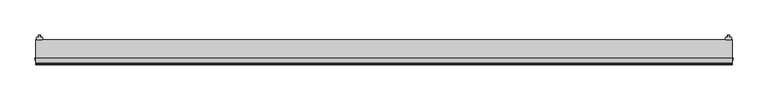
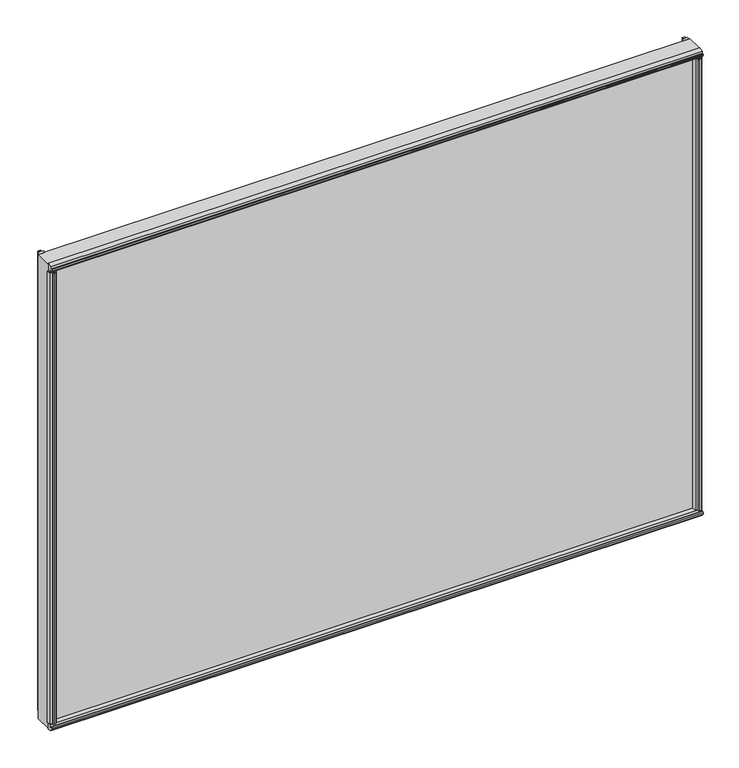
"""IFC4 building model written with IfcOpenShell, lengths in millimetres: plate geometry."""

from ifc_helpers import new_model, si_unit, frame, origin, origin_with_axes, place, context, project, spatial, polyline, outline, extrude, source, transform, mapped, element, save


def plate_a1ec5c8e(model_context):
    return source(origin(), model_context, "Body", "SweptSolid", [
        extrude(outline(polyline([(569.8998, 4.7498), (573.405, 4.7498), (573.8876, 7.4676), (572.3382, 7.2136), (572.3382, 8.0264), (574.675, 8.4328), (577.0118, 8.0264), (577.0118, 7.2136), (575.4624, 7.4676), (575.945, 4.7498), (579.4502, 4.7498), (579.9779556, 2.498043), (579.4502, 0.0), (569.8998, 0.0), (569.3720444, 2.498043), (569.8998, 4.7498)])), frame((0.0, 0.0, 12.303125), z_axis=(0.0, 0.0, 1.0), x_axis=(1.0, 0.0, 0.0)), (0.0, 0.0, 1.0), 863.3569979),
        extrude(outline(polyline([(-575.945, 4.7498), (-575.4624, 7.4676), (-577.0118, 7.2136), (-577.0118, 8.0264), (-574.675, 8.4328), (-572.3382, 8.0264), (-572.3382, 7.2136), (-573.8876, 7.4676), (-573.405, 4.7498), (-569.8998, 4.7498), (-569.3720444, 2.498043), (-569.8998, 0.0), (-579.4502, 0.0), (-579.9779556, 2.498043), (-579.4502, 4.7498), (-575.945, 4.7498)])), frame((0.0, 0.0, 12.303125), z_axis=(0.0, 0.0, 1.0), x_axis=(1.0, 0.0, 0.0)), (0.0, 0.0, 1.0), 863.3569979),
        extrude(outline(polyline([(-574.6784571, -39.5931295), (-573.1299754, -39.3335897), (-573.1270684, -40.1463845), (-575.4624, -40.5611395), (-577.8006386, -40.1630997), (-577.8006386, -39.3503049), (-576.253247, -39.5987618), (-576.7455727, -36.8826581), (-581.0409219, -36.8826581), (-582.2631967, -30.1244), (-568.7448239, -30.1244), (-569.9130079, -36.8582683), (-574.2029109, -36.8582683), (-574.6784571, -39.5931295)])), frame((0.0, 0.0, 12.303125), z_axis=(0.0, 0.0, 1.0), x_axis=(1.0, 0.0, 0.0)), (0.0, 0.0, 1.0), 850.6569979),
        extrude(outline(polyline([(576.253247, -39.5987618), (577.7992, -39.3510013), (577.7992, -40.1633446), (575.4624, -40.5611395), (573.1256, -40.1461237), (573.1256, -39.3328563), (574.6784571, -39.5931295), (574.2055804, -36.8736209), (569.9130079, -36.8736209), (568.7448239, -30.1244), (582.2631967, -30.1244), (581.0409134, -36.8827052), (576.7455642, -36.8827052), (576.253247, -39.5987618)])), frame((0.0, 0.0, 12.303125), z_axis=(0.0, 0.0, 1.0), x_axis=(1.0, 0.0, 0.0)), (0.0, 0.0, 1.0), 850.6569979),
        extrude(outline(polyline([(-30.1244, 12.8880688), (-30.1244, -1.5575618), (-38.3876619, 0.3386981), (-37.7963354, 4.590374), (-40.4217442, 5.4427636), (-40.3836033, 3.8731454), (-41.1886544, 3.9851125), (-41.269274, 6.3556179), (-40.5448426, 8.6141559), (-39.7397916, 8.5021887), (-40.2048076, 7.00255), (-37.4464371, 7.1061584), (-36.8551106, 11.3578343), (-30.1244, 12.8880688)])), frame((-581.025, 0.0, 0.0), z_axis=(1.0, 0.0, 0.0), x_axis=(0.0, 1.0, 0.0)), (0.0, 0.0, 1.0), 1162.05),
        extrude(outline(polyline([(-581.025, 0.0), (581.025, 0.0), (581.025, -30.1244), (-581.025, -30.1244), (-581.025, 0.0)])), origin_with_axes(), (0.0, 0.0, 1.0), 875.6601229),
        extrude(outline(polyline([(-41.1923071, 871.6745024), (-40.3836033, 871.7869776), (-40.4217442, 870.2173594), (-37.7963354, 871.0697489), (-38.3876619, 875.3214248), (-30.1244, 877.2176847), (-30.1244, 862.7720542), (-36.8551106, 864.3022887), (-37.4489919, 868.5723337), (-40.2048076, 868.657573), (-39.7397916, 867.1579342), (-40.5448426, 867.045967), (-41.269274, 869.304505), (-41.1923071, 871.6745024)])), frame((-581.025, 0.0, 0.0), z_axis=(1.0, 0.0, 0.0), x_axis=(0.0, 1.0, 0.0)), (0.0, 0.0, 1.0), 1162.05),
    ])


if __name__ == "__main__":
    model = new_model("IFC4")
    model_context = context("Model", 3, world=origin())
    ifc_project = project(units=[si_unit("LENGTHUNIT", "METRE", prefix="MILLI")], contexts=[model_context])
    site = spatial("IfcSite", under=ifc_project)
    building = spatial("IfcBuilding", under=site)
    placement = place(None, origin())
    plate_shape = plate_a1ec5c8e(model_context)
    element("IfcPlate", 1, at=placement, inside=building, context=model_context, shape_type="MappedRepresentation", body=[
        mapped(plate_shape, transform((0.0, 0.0, 0.0), x_axis=(1.0, 0.0, 0.0), y_axis=(0.0, 1.0, 0.0), z_axis=(0.0, 0.0, 1.0))),
    ])
    save(model, "model.ifc")
